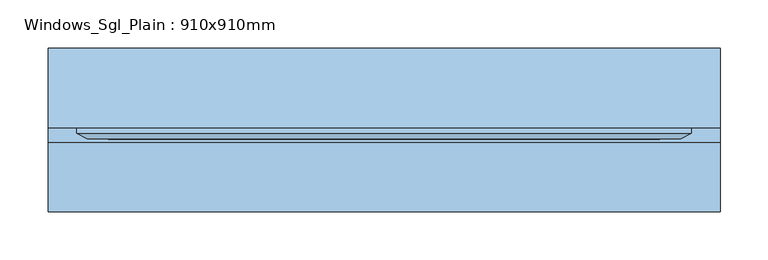
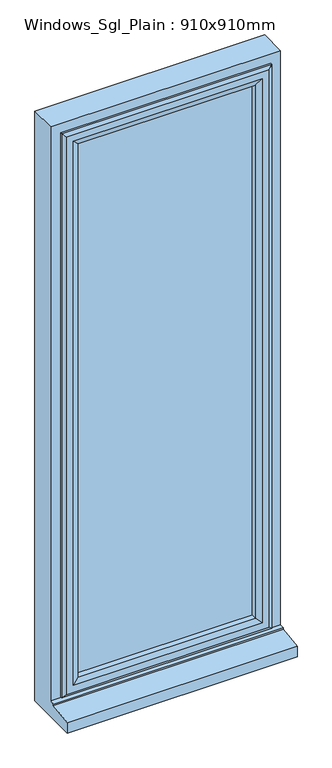
"""IFC4 building model written with IfcOpenShell, lengths in millimetres: window geometry, Windows_Sgl_Plain : 910x910mm."""

from ifc_helpers import new_model, si_unit, frame, origin, place, context, project, spatial, polyline, outline, extrude, faceted_brep, source, transform, mapped, element, save


def windows_sgl_plain_910x910mm_bdb2d802(model_context):
    return source(origin(), model_context, "Body", "SolidModel", [
        faceted_brep([(-350.0, 74.5434322, 210.0), (-350.0, 74.5434322, 2110.0), (350.0, 74.5434322, 2110.0), (350.0, 74.5434322, 210.0), (-290.0, 74.5434322, 2050.0), (-290.0, 74.5434322, 285.0), (290.0, 74.5434322, 285.0), (290.0, 74.5434322, 2050.0), (-350.0, -95.9565678, 210.0), (-350.0, -95.9565678, 243.8088847), (-350.0, -23.4565678, 254.7449676), (-350.0, -23.4565678, 259.68767), (-350.0, -8.4565678, 261.0), (-350.0, -8.4565678, 2110.0), (350.0, -8.4565678, 261.0), (350.0, -8.4565678, 2110.0), (-310.0, -8.4565678, 2070.0), (310.0, -8.4565678, 2070.0), (310.0, -8.4565678, 273.0), (-310.0, -8.4565678, 273.0), (-310.0, 56.5434322, 273.0), (-310.0, 56.5434322, 2070.0), (310.0, 56.5434322, 273.0), (310.0, 56.5434322, 2070.0), (-290.0, 56.5434322, 2050.0), (290.0, 56.5434322, 2050.0), (290.0, 56.5434322, 285.0), (-290.0, 56.5434322, 285.0), (350.0, -23.4565678, 259.68767), (350.0, -23.4565678, 254.7449676), (350.0, -95.9565678, 243.8088847), (350.0, -95.9565678, 210.0)], [[[0, 1, 2, 3], [4, 5, 6, 7]], [[0, 8, 9, 10, 11, 12, 13, 1]], [[12, 14, 15, 13], [16, 17, 18, 19]], [[19, 20, 21, 16]], [[21, 20, 22, 23], [24, 25, 26, 27]], [[24, 27, 5, 4]], [[1, 13, 15, 2]], [[16, 21, 23, 17]], [[7, 25, 24, 4]], [[14, 28, 29, 30, 31, 3, 2, 15]], [[17, 23, 22, 18]], [[7, 6, 26, 25]], [[31, 8, 0, 3]], [[30, 9, 8, 31]], [[29, 10, 9, 30]], [[28, 11, 10, 29]], [[14, 12, 11, 28]], [[20, 19, 18, 22]], [[5, 27, 26, 6]]]),
        extrude(outline(polyline([(280.0, 27.5434322), (280.0, 3.5434322), (-280.0, 3.5434322), (-280.0, 27.5434322), (280.0, 27.5434322)])), frame((0.0, 0.0, 303.0), z_axis=(0.0, 0.0, 1.0), x_axis=(1.0, 0.0, 0.0)), (0.0, 0.0, 1.0), 1737.0),
        faceted_brep([(-320.0, -8.4565678, 2080.0), (-320.0, -8.4565678, 263.0), (-320.0, -14.2300705, 263.0), (-320.0, -14.2300705, 2080.0), (-310.0, 56.5434322, 2070.0), (-310.0, 56.5434322, 273.0), (-310.0, -8.4565678, 273.0), (-310.0, -8.4565678, 2070.0), (-270.0, 42.0505323, 2030.0), (-270.0, 42.0505323, 313.0), (-280.1480377, 56.5434322, 302.8519623), (-280.1480377, 56.5434322, 2040.1480377), (-270.0, 27.5434322, 2030.0), (-270.0, 27.5434322, 313.0), (-280.0, 3.5434322, 2040.0), (-280.0, 3.5434322, 303.0), (-280.0, 27.5434322, 303.0), (-280.0, 27.5434322, 2040.0), (-270.0, -14.2300705, 2030.0), (-270.0, -14.2300705, 313.0), (-270.0, 3.5434322, 313.0), (-270.0, 3.5434322, 2030.0), (-287.4457548, -20.0035732, 2047.4457548), (-287.4457548, -20.0035732, 295.5542452), (-309.2153903, -20.0035732, 273.7846097), (-309.2153903, -20.0035732, 2069.2153903), (320.0, -8.4565678, 263.0), (320.0, -14.2300705, 263.0), (310.0, 56.5434322, 273.0), (310.0, -8.4565678, 273.0), (270.0, 42.0505323, 313.0), (280.1480377, 56.5434322, 302.8519623), (270.0, 27.5434322, 313.0), (280.0, 3.5434322, 303.0), (280.0, 27.5434322, 303.0), (270.0, -14.2300705, 313.0), (270.0, 3.5434322, 313.0), (287.4457548, -20.0035732, 295.5542452), (309.2153903, -20.0035732, 273.7846097), (320.0, -8.4565678, 2080.0), (320.0, -14.2300705, 2080.0), (310.0, 56.5434322, 2070.0), (310.0, -8.4565678, 2070.0), (270.0, 42.0505323, 2030.0), (280.1480377, 56.5434322, 2040.1480377), (270.0, 27.5434322, 2030.0), (280.0, 3.5434322, 2040.0), (280.0, 27.5434322, 2040.0), (270.0, -14.2300705, 2030.0), (270.0, 3.5434322, 2030.0), (287.4457548, -20.0035732, 2047.4457548), (309.2153903, -20.0035732, 2069.2153903)], [[[0, 1, 2, 3]], [[4, 5, 6, 7]], [[8, 9, 10, 11]], [[12, 13, 9, 8]], [[14, 15, 16, 17]], [[18, 19, 20, 21]], [[22, 23, 19, 18]], [[3, 2, 24, 25]], [[1, 26, 27, 2]], [[5, 28, 29, 6]], [[9, 30, 31, 10]], [[13, 32, 30, 9]], [[15, 33, 34, 16]], [[19, 35, 36, 20]], [[23, 37, 35, 19]], [[2, 27, 38, 24]], [[26, 39, 40, 27]], [[28, 41, 42, 29]], [[30, 43, 44, 31]], [[32, 45, 43, 30]], [[33, 46, 47, 34]], [[35, 48, 49, 36]], [[37, 50, 48, 35]], [[27, 40, 51, 38]], [[39, 0, 3, 40]], [[1, 0, 39, 26], [7, 6, 29, 42]], [[41, 4, 7, 42]], [[5, 4, 41, 28], [11, 10, 31, 44]], [[43, 8, 11, 44]], [[45, 12, 8, 43]], [[17, 16, 34, 47], [13, 12, 45, 32]], [[46, 14, 17, 47]], [[15, 14, 46, 33], [21, 20, 36, 49]], [[48, 18, 21, 49]], [[50, 22, 18, 48]], [[25, 24, 38, 51], [23, 22, 50, 37]], [[40, 3, 25, 51]]]),
    ])


if __name__ == "__main__":
    model = new_model("IFC4")
    model_context = context("Model", 3, world=origin())
    ifc_project = project(units=[si_unit("LENGTHUNIT", "METRE", prefix="MILLI")], contexts=[model_context])
    site = spatial("IfcSite", under=ifc_project)
    building = spatial("IfcBuilding", under=site)
    placement = place(None, origin())
    windows_sgl_plain_910x910mm_shape = windows_sgl_plain_910x910mm_bdb2d802(model_context)
    element("IfcWindow", 1, ObjectType="Windows_Sgl_Plain : 910x910mm", at=placement, inside=building, context=model_context, shape_type="MappedRepresentation", body=[
        mapped(windows_sgl_plain_910x910mm_shape, transform((0.0, 0.0, 0.0), x_axis=(1.0, 0.0, 0.0), y_axis=(0.0, 1.0, 0.0), z_axis=(0.0, 0.0, 1.0))),
    ])
    save(model, "model.ifc")
